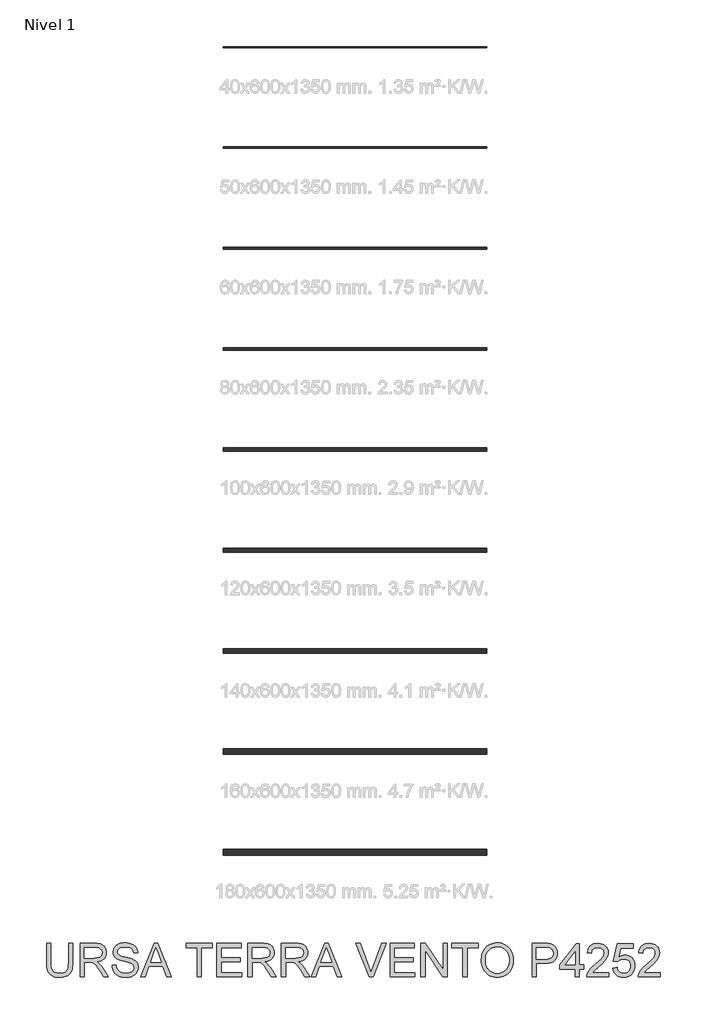
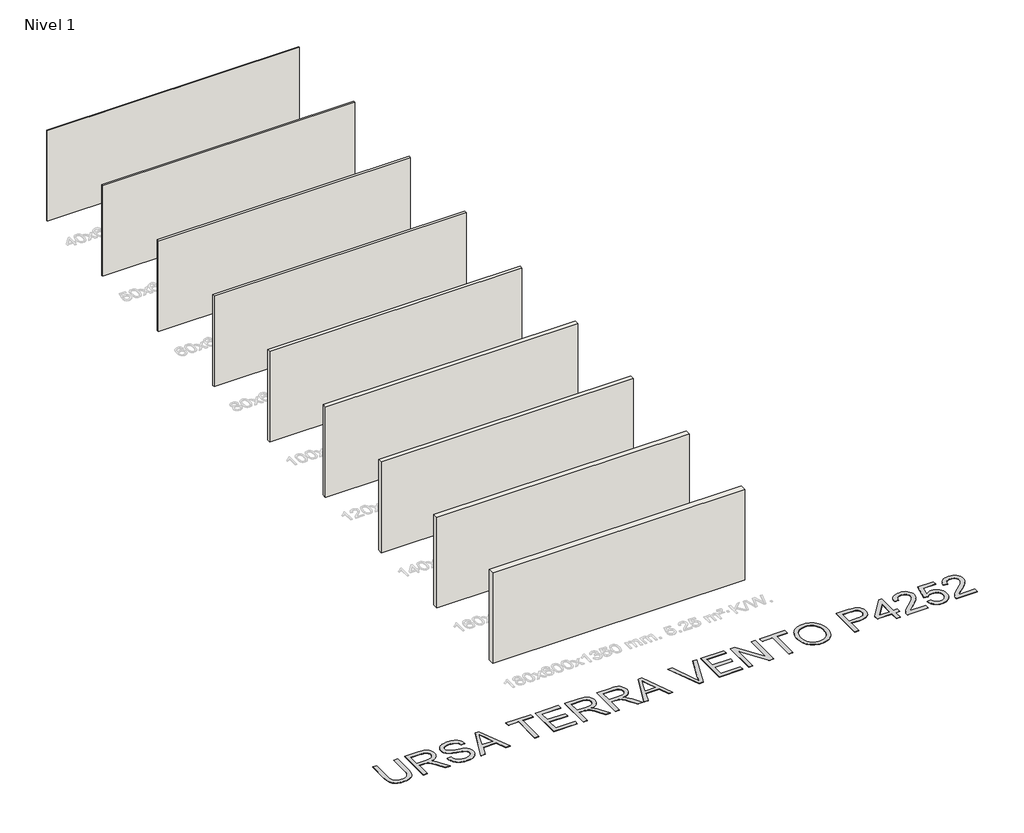
# One storey, part 1 of 10: 9 walls, 1 proxy.
"""IFC4 building model written with IfcOpenShell, lengths in millimetres."""

from ifc_helpers import new_model, si_unit, origin, origin_with_axes, place, context, project, spatial, polyline, outline, extrude, element, save

model = new_model("IFC4")

# Units and contexts
model_context = context("Model", 3, world=origin())
ifc_project = project(units=[si_unit("LENGTHUNIT", "METRE", prefix="MILLI")], contexts=[model_context])

# Site, building, storey
site = spatial("IfcSite", under=ifc_project)
building = spatial("IfcBuilding", under=site)
storey = spatial("IfcBuildingStorey", under=building, Name="Nivel 1", Elevation=0.0)

# Proxy
placement = place(None, origin())
element("IfcBuildingElementProxy", 1, Name="Texto de modelo 2", ObjectType="Texto de modelo 2", at=placement, inside=storey, context=model_context, shape_type="SweptSolid", body=[
    extrude(outline(polyline([(-11154.3090229, -22840.9129009), (-11028.7386352, -22840.9129009), (-11028.7386352, -23420.4496706), (-11030.8692851, -23492.2096523), (-11037.2612348, -23556.16747), (-11047.9144842, -23612.3231237), (-11062.8290334, -23660.6766135), (-11083.2924694, -23703.059685), (-11110.5923791, -23741.3040841), (-11144.7287626, -23775.4098107), (-11185.7016198, -23805.3768649), (-11233.556936, -23829.7873681), (-11288.3406965, -23847.2234419), (-11350.0529012, -23857.6850861), (-11418.6935501, -23861.1723009), (-11485.640409, -23858.1372744), (-11546.1953182, -23849.032195), (-11600.3582778, -23833.8570627), (-11648.1292877, -23812.6118775), (-11689.5160122, -23785.6108719), (-11724.5261154, -23753.1682784), (-11753.1595974, -23715.2840971), (-11775.4164581, -23671.958328), (-11792.1014394, -23621.7041146), (-11804.0192832, -23563.0346006), (-11811.1699895, -23495.9497859), (-11813.5535582, -23420.4496706), (-11813.5535582, -22840.9129009), (-11687.9831706, -22840.9129009), (-11687.9831706, -23416.0350867), (-11686.4350005, -23476.7432801), (-11681.7904903, -23528.8828887), (-11674.04964, -23572.4539125), (-11663.2124495, -23607.4563515), (-11648.6044687, -23636.4193944), (-11629.551247, -23661.87223), (-11606.0527845, -23683.8148581), (-11578.1090813, -23702.2472789), (-11546.2566319, -23716.8399314), (-11511.0319309, -23727.2632546), (-11472.4349782, -23733.5172485), (-11430.4657739, -23735.6019132), (-11361.2579736, -23731.4785691), (-11302.7494079, -23719.1085371), (-11254.940077, -23698.4918169), (-11235.0476245, -23685.0909488), (-11217.8299807, -23669.6284087), (-11202.9422562, -23651.2343089), (-11190.0395617, -23629.0387619), (-11170.1892623, -23573.243326), (-11158.2790828, -23502.2421009), (-11154.3090229, -23416.0350867), (-11154.3090229, -22840.9129009)])), origin_with_axes(), (0.0, 0.0, 1.0), 10.0),
    extrude(outline(polyline([(-10808.9904567, -23845.4760024), (-10808.9904567, -22840.9129009), (-10376.1159758, -22840.9129009), (-10313.9822396, -22842.6066909), (-10259.7732948, -22847.688061), (-10213.4891413, -22856.1570111), (-10175.1297791, -22868.0135412), (-10142.4649236, -22884.1696922), (-10113.2642902, -22905.5375047), (-10087.527879, -22932.1169789), (-10065.2556898, -22963.9081146), (-10047.2831215, -22999.2017935), (-10034.4455727, -23036.2888972), (-10026.7430435, -23075.1694255), (-10024.1755337, -23115.8433786), (-10028.4291693, -23167.4388285), (-10041.190076, -23214.8036353), (-10062.4582538, -23257.9377993), (-10092.2337028, -23296.8413203), (-10130.8996333, -23330.2725966), (-10178.8392558, -23356.9900265), (-10236.0525703, -23376.99361), (-10302.5395767, -23390.283347), (-10261.1528523, -23417.3226737), (-10231.1704697, -23443.9941183), (-10179.728304, -23505.0012159), (-10129.3897843, -23573.243326), (-9961.8808492, -23845.4760024), (-10107.8073739, -23845.4760024), (-10238.5281096, -23637.2547931), (-10290.8286665, -23557.7922822), (-10332.951155, -23499.4216723), (-10368.0532287, -23459.2305643), (-10399.2925415, -23434.3065591), (-10428.8763852, -23419.6832498), (-10459.012052, -23410.3942294), (-10531.852687, -23405.9796455), (-10683.4200691, -23405.9796455), (-10683.4200691, -23845.4760024), (-10808.9904567, -23845.4760024)]), holes=[polyline([(-10683.4200691, -23280.4092578), (-10402.3582247, -23280.4092578), (-10321.6387836, -23275.964017), (-10259.006874, -23262.6282947), (-10233.8222857, -23252.4042409), (-10211.8566649, -23239.5130427), (-10193.1100116, -23223.9547), (-10177.5823257, -23205.7292128), (-10165.4038988, -23185.7332935), (-10156.7050225, -23164.8636545), (-10151.4856967, -23143.1202957), (-10149.7459214, -23120.5032172), (-10153.0645236, -23088.3901847), (-10163.02033, -23059.250865), (-10179.6133409, -23033.0852581), (-10202.843556, -23009.893364), (-10233.2474701, -22990.901456), (-10271.3615776, -22977.3358074), (-10317.1858787, -22969.1964183), (-10370.7203732, -22966.4832886), (-10683.4200691, -22966.4832886), (-10683.4200691, -23280.4092578)])]), origin_with_axes(), (0.0, 0.0, 1.0), 10.0),
    extrude(outline(polyline([(-9851.5162506, -23500.1574363), (-9725.9458629, -23500.1574363), (-9720.1977068, -23536.7080453), (-9711.5371515, -23569.8404175), (-9699.964197, -23599.5545528), (-9685.4788435, -23625.8504513), (-9667.3453268, -23649.2569432), (-9644.827883, -23670.302859), (-9617.9265121, -23688.9881987), (-9586.6412141, -23705.3129622), (-9552.1216202, -23718.5643783), (-9515.5173617, -23728.0296754), (-9476.8284385, -23733.7088537), (-9436.0548507, -23735.6019132), (-9366.095958, -23729.8690854), (-9334.3814643, -23722.7030507), (-9304.8436058, -23712.6706021), (-9278.2104822, -23700.1319575), (-9255.2101933, -23685.4473345), (-9235.8427391, -23668.6167332), (-9220.1081196, -23649.6401536), (-9207.9296927, -23629.337666), (-9199.2308164, -23608.5293407), (-9194.0114905, -23587.2151776), (-9192.2717153, -23565.3951767), (-9197.4833769, -23523.3646588), (-9213.1183617, -23487.0363118), (-9226.270143, -23470.9184819), (-9244.8788406, -23456.0422537), (-9268.9444544, -23442.4076272), (-9298.4669846, -23430.0146025), (-9364.7777142, -23410.3022589), (-9481.3043362, -23382.0673158), (-9601.3258371, -23350.3374937), (-9645.1267871, -23335.0473983), (-9678.1212036, -23320.1405133), (-9711.6521146, -23300.1369298), (-9740.6304859, -23277.8953975), (-9765.0563176, -23253.4159164), (-9784.9296095, -23226.6984865), (-9800.3270038, -23198.0190193), (-9811.3251427, -23167.6534263), (-9817.9240259, -23135.6017075), (-9820.1236537, -23101.8638628), (-9817.4028598, -23064.4701908), (-9809.240478, -23028.3181206), (-9795.6365084, -22993.4076521), (-9776.5909509, -22959.7387853), (-9752.3184035, -22928.6834136), (-9723.0334638, -22901.6134301), (-9688.736132, -22878.5288349), (-9649.426408, -22859.429628), (-9606.4301998, -22844.4614293), (-9561.0734154, -22833.7698588), (-9513.356055, -22827.3549165), (-9463.2781184, -22825.2166024), (-9408.6476421, -22827.4545512), (-9357.3281038, -22834.1683977), (-9309.3195034, -22845.3581417), (-9264.621841, -22861.0237833), (-9224.062851, -22881.0273668), (-9188.470268, -22905.2309364), (-9157.8440919, -22933.6344921), (-9132.1843227, -22966.2380339), (-9111.6902299, -23002.0912), (-9096.5610829, -23040.2436286), (-9086.7968816, -23080.6953197), (-9082.3976261, -23123.4462732), (-9207.9680137, -23123.4462732), (-9216.367986, -23083.3777926), (-9231.0219521, -23048.5209735), (-9251.9299122, -23018.8758161), (-9279.0918661, -22994.4423202), (-9313.0136518, -22975.3431133), (-9354.2011068, -22961.7008227), (-9402.6542313, -22953.5154483), (-9458.3730251, -22950.7869901), (-9515.8699153, -22953.4847914), (-9564.9974901, -22961.5781953), (-9605.7557494, -22975.0672018), (-9638.1446934, -22993.9518109), (-9662.8234439, -23016.6531957), (-9680.4511229, -23041.5925293), (-9691.0277302, -23068.7698117), (-9694.553266, -23098.1850429), (-9692.0547341, -23123.4922584), (-9684.5591385, -23146.4388979), (-9672.0664791, -23167.0249612), (-9654.5767559, -23185.2504484), (-9627.0469199, -23202.5102453), (-9583.6981581, -23219.9539833), (-9524.5304706, -23237.5816622), (-9449.5438572, -23255.3932821), (-9311.0975997, -23289.0544847), (-9262.3838922, -23304.2756022), (-9227.3431322, -23318.4237306), (-9188.8458142, -23339.8681853), (-9155.7594273, -23363.9797844), (-9128.0839713, -23390.7585279), (-9105.8194464, -23420.204416), (-9088.7052694, -23452.1641643), (-9076.4808573, -23486.4844888), (-9069.14621, -23523.1653894), (-9066.7013276, -23562.2068661), (-9069.514092, -23601.4859333), (-9077.9523853, -23639.6153693), (-9092.0162074, -23676.595174), (-9111.7055583, -23712.4253475), (-9136.6755488, -23745.718668), (-9166.5812893, -23775.087914), (-9201.4227799, -23800.5330853), (-9241.2000206, -23822.054182), (-9284.755716, -23839.168359), (-9330.9325706, -23851.3927712), (-9379.7305844, -23858.7274184), (-9431.1497575, -23861.1723009), (-9495.3834867, -23858.5358132), (-9554.175628, -23850.6263503), (-9607.5261815, -23837.4439122), (-9655.4351472, -23818.9884987), (-9698.1937649, -23795.2294532), (-9736.0932746, -23766.1361188), (-9769.1336763, -23731.7084954), (-9797.31497, -23691.9465831), (-9820.0163548, -23648.1379688), (-9836.6170298, -23601.5702396), (-9847.1169951, -23552.2433954), (-9851.5162506, -23500.1574363)])), origin_with_axes(), (0.0, 0.0, 1.0), 10.0),
    extrude(outline(polyline([(-8995.3322205, -23845.4760024), (-8594.3408458, -22840.9129009), (-8487.4098125, -22840.9129009), (-8086.4184378, -23845.4760024), (-8219.1012107, -23845.4760024), (-8334.1256479, -23531.5500332), (-8747.8702651, -23531.5500332), (-8862.6494476, -23845.4760024), (-8995.3322205, -23845.4760024)]), holes=[polyline([(-8701.7623884, -23405.9796455), (-8379.9882699, -23405.9796455), (-8470.4872407, -23159.0081994), (-8540.8753292, -22966.4832886), (-8603.4152683, -23137.425789), (-8701.7623884, -23405.9796455)])]), origin_with_axes(), (0.0, 0.0, 1.0), 10.0),
    extrude(outline(polyline([(-7308.7159, -23845.4760024), (-7308.7159, -22966.4832886), (-7638.3381677, -22966.4832886), (-7638.3381677, -22840.9129009), (-6853.5232446, -22840.9129009), (-6853.5232446, -22966.4832886), (-7183.1455123, -22966.4832886), (-7183.1455123, -23845.4760024), (-7308.7159, -23845.4760024)])), origin_with_axes(), (0.0, 0.0, 1.0), 10.0),
    extrude(outline(polyline([(-6712.2565585, -23845.4760024), (-6712.2565585, -22840.9129009), (-5990.2268293, -22840.9129009), (-5990.2268293, -22966.4832886), (-6586.6861708, -22966.4832886), (-6586.6861708, -23264.7129593), (-6021.6194262, -23264.7129593), (-6021.6194262, -23390.283347), (-6586.6861708, -23390.283347), (-6586.6861708, -23719.9056147), (-5974.5305308, -23719.9056147), (-5974.5305308, -23845.4760024), (-6712.2565585, -23845.4760024)])), origin_with_axes(), (0.0, 0.0, 1.0), 10.0),
    extrude(outline(polyline([(-5786.1749493, -23845.4760024), (-5786.1749493, -22840.9129009), (-5353.3004683, -22840.9129009), (-5291.1667321, -22842.6066909), (-5236.9577873, -22847.688061), (-5190.6736338, -22856.1570111), (-5152.3142716, -22868.0135412), (-5119.6494161, -22884.1696922), (-5090.4487827, -22905.5375047), (-5064.7123715, -22932.1169789), (-5042.4401824, -22963.9081146), (-5024.467614, -22999.2017935), (-5011.6300653, -23036.2888972), (-5003.927536, -23075.1694255), (-5001.3600262, -23115.8433786), (-5005.6136618, -23167.4388285), (-5018.3745685, -23214.8036353), (-5039.6427463, -23257.9377993), (-5069.4181953, -23296.8413203), (-5108.0841259, -23330.2725966), (-5156.0237484, -23356.9900265), (-5213.2370628, -23376.99361), (-5279.7240692, -23390.283347), (-5238.3373448, -23417.3226737), (-5208.3549622, -23443.9941183), (-5156.9127965, -23505.0012159), (-5106.5742768, -23573.243326), (-4939.0653417, -23845.4760024), (-5084.9918665, -23845.4760024), (-5215.7126021, -23637.2547931), (-5268.0131591, -23557.7922822), (-5310.1356475, -23499.4216723), (-5345.2377212, -23459.2305643), (-5376.477034, -23434.3065591), (-5406.0608778, -23419.6832498), (-5436.1965445, -23410.3942294), (-5509.0371796, -23405.9796455), (-5660.6045616, -23405.9796455), (-5660.6045616, -23845.4760024), (-5786.1749493, -23845.4760024)]), holes=[polyline([(-5660.6045616, -23280.4092578), (-5379.5427173, -23280.4092578), (-5298.8232762, -23275.964017), (-5236.1913665, -23262.6282947), (-5211.0067782, -23252.4042409), (-5189.0411574, -23239.5130427), (-5170.2945041, -23223.9547), (-5154.7668182, -23205.7292128), (-5142.5883913, -23185.7332935), (-5133.889515, -23164.8636545), (-5128.6701892, -23143.1202957), (-5126.9304139, -23120.5032172), (-5130.2490161, -23088.3901847), (-5140.2048226, -23059.250865), (-5156.7978334, -23033.0852581), (-5180.0280485, -23009.893364), (-5210.4319626, -22990.901456), (-5248.5460701, -22977.3358074), (-5294.3703712, -22969.1964183), (-5347.9048657, -22966.4832886), (-5660.6045616, -22966.4832886), (-5660.6045616, -23280.4092578)])]), origin_with_axes(), (0.0, 0.0, 1.0), 10.0),
    extrude(outline(polyline([(-4781.6118478, -23845.4760024), (-4781.6118478, -22840.9129009), (-4348.7373668, -22840.9129009), (-4286.6036306, -22842.6066909), (-4232.3946858, -22847.688061), (-4186.1105323, -22856.1570111), (-4147.7511701, -22868.0135412), (-4115.0863146, -22884.1696922), (-4085.8856812, -22905.5375047), (-4060.14927, -22932.1169789), (-4037.8770809, -22963.9081146), (-4019.9045125, -22999.2017935), (-4007.0669638, -23036.2888972), (-3999.3644345, -23075.1694255), (-3996.7969247, -23115.8433786), (-4001.0505603, -23167.4388285), (-4013.811467, -23214.8036353), (-4035.0796449, -23257.9377993), (-4064.8550938, -23296.8413203), (-4103.5210244, -23330.2725966), (-4151.4606469, -23356.9900265), (-4208.6739613, -23376.99361), (-4275.1609677, -23390.283347), (-4233.7742433, -23417.3226737), (-4203.7918607, -23443.9941183), (-4152.349695, -23505.0012159), (-4102.0111753, -23573.243326), (-3934.5022402, -23845.4760024), (-4080.428765, -23845.4760024), (-4211.1495006, -23637.2547931), (-4263.4500576, -23557.7922822), (-4305.572546, -23499.4216723), (-4340.6746197, -23459.2305643), (-4371.9139325, -23434.3065591), (-4401.4977763, -23419.6832498), (-4431.633443, -23410.3942294), (-4504.4740781, -23405.9796455), (-4656.0414601, -23405.9796455), (-4656.0414601, -23845.4760024), (-4781.6118478, -23845.4760024)]), holes=[polyline([(-4656.0414601, -23280.4092578), (-4374.9796158, -23280.4092578), (-4294.2601747, -23275.964017), (-4231.628265, -23262.6282947), (-4206.4436767, -23252.4042409), (-4184.4780559, -23239.5130427), (-4165.7314026, -23223.9547), (-4150.2037167, -23205.7292128), (-4138.0252898, -23185.7332935), (-4129.3264135, -23164.8636545), (-4124.1070877, -23143.1202957), (-4122.3673124, -23120.5032172), (-4125.6859146, -23088.3901847), (-4135.6417211, -23059.250865), (-4152.2347319, -23033.0852581), (-4175.4649471, -23009.893364), (-4205.8688611, -22990.901456), (-4243.9829687, -22977.3358074), (-4289.8072697, -22969.1964183), (-4343.3417642, -22966.4832886), (-4656.0414601, -22966.4832886), (-4656.0414601, -23280.4092578)])]), origin_with_axes(), (0.0, 0.0, 1.0), 10.0),
    extrude(outline(polyline([(-3894.0352207, -23845.4760024), (-3493.043846, -22840.9129009), (-3386.1128127, -22840.9129009), (-2985.121438, -23845.4760024), (-3117.8042109, -23845.4760024), (-3232.8286481, -23531.5500332), (-3646.5732653, -23531.5500332), (-3761.3524478, -23845.4760024), (-3894.0352207, -23845.4760024)]), holes=[polyline([(-3600.4653886, -23405.9796455), (-3278.6912701, -23405.9796455), (-3369.190241, -23159.0081994), (-3439.5783294, -22966.4832886), (-3502.1182685, -23137.425789), (-3600.4653886, -23405.9796455)])]), origin_with_axes(), (0.0, 0.0, 1.0), 10.0),
    extrude(outline(polyline([(-2161.8015328, -23845.4760024), (-2561.5666342, -22840.9129009), (-2427.1670786, -22840.9129009), (-2159.5942408, -23564.6594127), (-2129.8571129, -23648.9657033), (-2105.3929602, -23727.7537639), (-2080.4996119, -23646.1452747), (-2051.9274436, -23564.6594127), (-1783.6188417, -22840.9129009), (-1649.2192862, -22840.9129009), (-2032.0618158, -23845.4760024), (-2161.8015328, -23845.4760024)])), origin_with_axes(), (0.0, 0.0, 1.0), 10.0),
    extrude(outline(polyline([(-1532.4780664, -23845.4760024), (-1532.4780664, -22840.9129009), (-810.4483372, -22840.9129009), (-810.4483372, -22966.4832886), (-1406.9076787, -22966.4832886), (-1406.9076787, -23264.7129593), (-841.8409341, -23264.7129593), (-841.8409341, -23390.283347), (-1406.9076787, -23390.283347), (-1406.9076787, -23719.9056147), (-794.7520387, -23719.9056147), (-794.7520387, -23845.4760024), (-1532.4780664, -23845.4760024)])), origin_with_axes(), (0.0, 0.0, 1.0), 10.0),
    extrude(outline(polyline([(-606.3964572, -23845.4760024), (-606.3964572, -22840.9129009), (-471.9969016, -22840.9129009), (52.8480782, -23636.7642838), (52.8480782, -22840.9129009), (178.4184659, -22840.9129009), (178.4184659, -23845.4760024), (44.0189103, -23845.4760024), (-480.8260695, -23049.3793648), (-480.8260695, -23845.4760024), (-606.3964572, -23845.4760024)])), origin_with_axes(), (0.0, 0.0, 1.0), 10.0),
    extrude(outline(polyline([(649.3074197, -23845.4760024), (649.3074197, -22966.4832886), (319.685152, -22966.4832886), (319.685152, -22840.9129009), (1104.5000751, -22840.9129009), (1104.5000751, -22966.4832886), (774.8778074, -22966.4832886), (774.8778074, -23845.4760024), (649.3074197, -23845.4760024)])), origin_with_axes(), (0.0, 0.0, 1.0), 10.0),
    extrude(outline(polyline([(1198.6778658, -23356.4382035), (1200.7701947, -23295.8334769), (1207.0471812, -23238.6086661), (1217.5088255, -23184.7637712), (1232.1551274, -23134.2987921), (1250.986087, -23087.2137288), (1274.0017043, -23043.5085813), (1301.2019794, -23003.1833497), (1332.5869121, -22966.2380339), (1367.2789506, -22933.1861359), (1404.4005432, -22904.5411577), (1443.9516898, -22880.3030991), (1485.9323904, -22860.4719603), (1530.342645, -22845.0477412), (1577.1824536, -22834.0304419), (1626.4518162, -22827.4200623), (1678.1507329, -22825.2166024), (1745.7337211, -22829.3552749), (1809.9138008, -22841.7712922), (1870.6909721, -22862.4646545), (1928.0652349, -22891.4353616), (1980.4271056, -22927.8096938), (2026.1671003, -22970.7139315), (2065.2852191, -23020.1480746), (2097.781462, -23076.1121232), (2123.3186039, -23137.3338185), (2141.5594195, -23202.5409022), (2152.5039088, -23271.7333741), (2156.1520719, -23344.9112343), (2152.3123036, -23419.0547847), (2140.7929986, -23489.1822901), (2121.594157, -23555.2937503), (2094.7157787, -23617.3891654), (2060.7939931, -23673.8283948), (2020.4649294, -23722.971298), (1973.7285876, -23764.817875), (1920.5849677, -23799.3681257), (1863.1263986, -23826.4074523), (1803.4452091, -23845.7212571), (1741.5413992, -23857.3095399), (1677.4149689, -23861.1723009), (1608.6516926, -23856.9033369), (1543.62855, -23844.0964449), (1482.3455409, -23822.751625), (1424.8026655, -23792.8688771), (1372.5021085, -23755.6054967), (1326.9460548, -23712.1187791), (1288.1345043, -23662.4087246), (1256.0674571, -23606.4753329), (1230.9595109, -23546.5642171), (1213.0252636, -23484.9209903), (1202.2647153, -23421.5456524), (1198.6778658, -23356.4382035)]), holes=[polyline([(1324.2482535, -23357.6644768), (1325.8175001, -23400.4575835), (1330.5252401, -23440.9131066), (1338.3714732, -23479.0310463), (1349.3561997, -23514.8114024), (1363.4794194, -23548.254175), (1380.7411324, -23579.3593641), (1401.1413387, -23608.1269697), (1424.6800382, -23634.5569918), (1450.5869781, -23658.2393953), (1478.0919054, -23678.7641449), (1507.1948201, -23696.1312408), (1537.8957222, -23710.3406828), (1570.1946118, -23721.3924711), (1604.0914887, -23729.2866056), (1639.5863531, -23734.0230863), (1676.6792049, -23735.6019132), (1714.4503391, -23734.0077579), (1750.5085228, -23729.2252919), (1784.8537559, -23721.2545154), (1817.4860385, -23710.0954282), (1848.4053706, -23695.7480304), (1877.6117521, -23678.2123219), (1905.1051831, -23657.4883029), (1930.8856636, -23633.5759732), (1954.2519184, -23606.7320838), (1974.5026726, -23577.2133858), (1991.6379262, -23545.0198792), (2005.6576791, -23510.1515638), (2016.5619313, -23472.6084398), (2024.350683, -23432.3905071), (2029.0239339, -23389.4977657), (2030.5816842, -23343.9302156), (2027.9145398, -23286.4639823), (2019.9131064, -23232.7685394), (2006.5773841, -23182.843887), (1987.9073728, -23136.690025), (1964.1100062, -23094.9124259), (1935.392218, -23058.1165622), (1901.7540081, -23026.3024338), (1863.1953764, -22999.4700408), (1820.9119396, -22978.1712061), (1776.0993141, -22962.9577528), (1728.7574998, -22953.8296808), (1678.8864969, -22950.7869901), (1608.8203052, -22956.6501094), (1543.812491, -22974.2394673), (1513.2054754, -22987.4314857), (1483.8630542, -23003.5550638), (1428.9719948, -23044.5968989), (1404.4273679, -23070.0094973), (1383.155358, -23099.3423383), (1365.155965, -23132.5954218), (1350.4291888, -23169.7687478), (1338.9750296, -23210.8623163), (1330.7934873, -23255.8761273), (1325.884562, -23304.8101808), (1324.2482535, -23357.6644768)])]), origin_with_axes(), (0.0, 0.0, 1.0), 10.0),
    extrude(outline(polyline([(2721.2188165, -23845.4760024), (2721.2188165, -22840.9129009), (3093.5153956, -22840.9129009), (3180.2129192, -22843.3041339), (3243.6112497, -22850.4778328), (3278.552375, -22858.0117495), (3310.535116, -22868.3507664), (3339.5594725, -22881.4948835), (3365.6254447, -22897.4441008), (3389.0089441, -22916.5279793), (3409.985882, -22939.07608), (3428.5562585, -22965.0884027), (3444.7200737, -22994.5649476), (3457.8105414, -23026.5323601), (3467.1608754, -23060.0172859), (3472.7710758, -23095.0197249), (3474.6411427, -23131.5396771), (3469.5904294, -23193.2058965), (3454.4382897, -23249.9363659), (3429.1847236, -23301.7310851), (3393.829731, -23348.5900542), (3371.5939469, -23369.3983796), (3345.2923003, -23387.4322616), (3314.9247912, -23402.6917002), (3280.4914197, -23415.1766954), (3241.9921857, -23424.8872472), (3199.4270892, -23431.8233557), (3102.0993089, -23437.3722424), (2846.7892042, -23437.3722424), (2846.7892042, -23845.4760024), (2721.2188165, -23845.4760024)]), holes=[polyline([(2846.7892042, -23311.8018547), (3109.4569488, -23311.8018547), (3169.8509096, -23308.9201124), (3220.802566, -23300.2748855), (3262.3119178, -23285.8661741), (3294.378965, -23265.693978), (3318.3066231, -23240.2947919), (3335.3978075, -23210.2051104), (3345.6525181, -23175.4249334), (3349.070755, -23135.954261), (3347.0550682, -23106.6463288), (3341.0080079, -23079.5456884), (3330.9295741, -23054.6523401), (3316.8197667, -23031.9662837), (3299.4296782, -23012.2232833), (3279.510401, -22996.1591029), (3257.0619351, -22983.7737424), (3232.0842805, -22975.0672018), (3183.6464845, -22968.6292669), (3106.5138928, -22966.4832886), (2846.7892042, -22966.4832886), (2846.7892042, -23311.8018547)])]), origin_with_axes(), (0.0, 0.0, 1.0), 10.0),
    extrude(outline(polyline([(4008.3152903, -23845.4760024), (4008.3152903, -23610.0315255), (3553.122635, -23610.0315255), (3553.122635, -23484.4611378), (4039.7078872, -22856.6091994), (4133.885678, -22856.6091994), (4133.885678, -23484.4611378), (4259.4560657, -23484.4611378), (4259.4560657, -23610.0315255), (4133.885678, -23610.0315255), (4133.885678, -23845.4760024), (4008.3152903, -23845.4760024)]), holes=[polyline([(4008.3152903, -23484.4611378), (4008.3152903, -23096.4682602), (3707.6330729, -23484.4611378), (4008.3152903, -23484.4611378)])]), origin_with_axes(), (0.0, 0.0, 1.0), 10.0),
    extrude(outline(polyline([(5012.8783918, -23719.9056147), (5012.8783918, -23845.4760024), (4353.6338565, -23845.4760024), (4356.3929714, -23801.2688493), (4367.1228629, -23758.9011062), (4380.8111389, -23724.8183722), (4398.0862642, -23691.2414759), (4418.948239, -23658.1704174), (4443.3970633, -23625.6051966), (4472.904265, -23592.273555), (4508.9413721, -23556.903234), (4600.6053026, -23480.0465539), (4736.1085041, -23359.6878278), (4783.5346247, -23311.3266738), (4817.410425, -23270.8443259), (4841.1234853, -23234.5466357), (4858.0613855, -23198.7394549), (4868.2241256, -23163.4227833), (4871.6117057, -23128.5966211), (4868.4157308, -23095.8321309), (4858.8278063, -23065.7194568), (4842.8479322, -23038.2585987), (4820.4761083, -23013.4495566), (4792.9539366, -22992.9018144), (4761.5230186, -22978.2248556), (4726.1833544, -22969.4186803), (4686.9349441, -22966.4832886), (4645.5865407, -22969.3497025), (4608.6067359, -22977.9489441), (4575.9955299, -22992.2810135), (4547.7529226, -23012.3459107), (4524.9059178, -23037.4691852), (4508.4815196, -23066.9763869), (4498.4797279, -23100.8675157), (4494.9005426, -23139.1425717), (4369.3301549, -23123.4462732), (4380.1290243, -23058.6224), (4399.77239, -23001.9839011), (4428.260252, -22953.5307767), (4465.5926103, -22913.2630266), (4510.9110736, -22881.6098466), (4563.3572505, -22859.0004323), (4622.9311411, -22845.4347838), (4689.6327454, -22840.9129009), (4756.9321579, -22845.9406215), (4816.8279452, -22861.0237833), (4869.3201074, -22886.1623863), (4914.4086444, -22921.3564305), (4950.6220283, -22964.0000851), (4976.4887311, -23011.4875193), (4992.0087528, -23063.8187331), (4997.1820934, -23120.9937266), (4991.6025498, -23181.0504623), (4974.863919, -23240.0648657), (4945.1574479, -23300.0909446), (4900.6743833, -23363.1827067), (4869.9792293, -23398.1698173), (4829.7651287, -23438.5065452), (4720.7800876, -23535.2288531), (4576.3250909, -23656.0167749), (4544.9938076, -23687.8692243), (4519.6712636, -23719.9056147), (5012.8783918, -23719.9056147)])), origin_with_axes(), (0.0, 0.0, 1.0), 10.0),
    extrude(outline(polyline([(5138.4487795, -23578.6389286), (5264.0191672, -23562.9426301), (5273.4001581, -23603.3100149), (5287.0731056, -23638.3277823), (5305.0380097, -23667.9959324), (5327.2948704, -23692.3144651), (5353.7977024, -23711.2527236), (5384.5005206, -23724.7800511), (5419.4033249, -23732.8964477), (5458.5061153, -23735.6019132), (5506.3307747, -23731.8387869), (5548.5145768, -23720.5494082), (5585.0575216, -23701.733777), (5615.9596092, -23675.3918933), (5640.5310608, -23642.8266725), (5658.0820977, -23605.34103), (5668.6127198, -23562.9349659), (5672.1229272, -23515.6084801), (5668.8349818, -23470.8801608), (5658.9711458, -23431.1182485), (5642.5314192, -23396.3227431), (5619.5158019, -23366.4936447), (5589.8476518, -23342.5659866), (5553.4503269, -23325.4748022), (5510.3238272, -23315.2200916), (5460.4681526, -23311.8018547), (5399.5530256, -23317.258771), (5373.4410681, -23324.0799163), (5350.2261814, -23333.6295198), (5310.8321511, -23358.7068091), (5279.7154657, -23390.283347), (5154.145078, -23374.5870486), (5264.0191672, -22856.6091994), (5750.6044195, -22856.6091994), (5750.6044195, -22982.1795871), (5365.5545979, -22982.1795871), (5311.8438266, -23258.8268474), (5356.1582786, -23227.0663685), (5401.5457197, -23204.3803121), (5448.00615, -23190.7686783), (5495.5395695, -23186.231467), (5556.692287, -23191.8569959), (5612.8632691, -23208.7335824), (5664.0525159, -23236.8612266), (5710.2600273, -23276.2399285), (5748.5120906, -23324.4631267), (5775.834993, -23379.1242598), (5792.2287344, -23440.2233279), (5797.6933149, -23507.7603308), (5792.7728932, -23572.8141303), (5778.0116281, -23633.3307185), (5753.4095197, -23689.3100954), (5718.9665679, -23740.7522611), (5693.9659206, -23768.9757079), (5666.7886382, -23793.4360285), (5637.4347207, -23814.1332228), (5605.904168, -23831.0672909), (5572.1969802, -23844.2382328), (5536.3131573, -23853.6460484), (5498.2526992, -23859.2907377), (5458.015606, -23861.1723009), (5393.2147254, -23856.3361855), (5334.6831671, -23841.8278393), (5282.4209312, -23817.6472623), (5236.4280176, -23783.7944545), (5198.1606258, -23741.9555418), (5169.0749556, -23693.8166499), (5149.1710068, -23639.3777788), (5138.4487795, -23578.6389286)])), origin_with_axes(), (0.0, 0.0, 1.0), 10.0),
    extrude(outline(polyline([(6551.115641, -23719.9056147), (6551.115641, -23845.4760024), (5891.8711056, -23845.4760024), (5894.6302206, -23801.2688493), (5905.3601121, -23758.9011062), (5919.048388, -23724.8183722), (5936.3235134, -23691.2414759), (5957.1854882, -23658.1704174), (5981.6343124, -23625.6051966), (6011.1415141, -23592.273555), (6047.1786213, -23556.903234), (6138.8425517, -23480.0465539), (6274.3457533, -23359.6878278), (6321.7718738, -23311.3266738), (6355.6476742, -23270.8443259), (6379.3607345, -23234.5466357), (6396.2986347, -23198.7394549), (6406.4613748, -23163.4227833), (6409.8489548, -23128.5966211), (6406.65298, -23095.8321309), (6397.0650555, -23065.7194568), (6381.0851813, -23038.2585987), (6358.7133575, -23013.4495566), (6331.1911857, -22992.9018144), (6299.7602678, -22978.2248556), (6264.4206036, -22969.4186803), (6225.1721933, -22966.4832886), (6183.8237898, -22969.3497025), (6146.8439851, -22977.9489441), (6114.2327791, -22992.2810135), (6085.9901717, -23012.3459107), (6063.143167, -23037.4691852), (6046.7187688, -23066.9763869), (6036.716977, -23100.8675157), (6033.1377918, -23139.1425717), (5907.5674041, -23123.4462732), (5918.3662735, -23058.6224), (5938.0096392, -23001.9839011), (5966.4975012, -22953.5307767), (6003.8298595, -22913.2630266), (6049.1483228, -22881.6098466), (6101.5944997, -22859.0004323), (6161.1683903, -22845.4347838), (6227.8699946, -22840.9129009), (6295.169407, -22845.9406215), (6355.0651944, -22861.0237833), (6407.5573566, -22886.1623863), (6452.6458936, -22921.3564305), (6488.8592775, -22964.0000851), (6514.7259803, -23011.4875193), (6530.246002, -23063.8187331), (6535.4193425, -23120.9937266), (6529.8397989, -23181.0504623), (6513.1011681, -23240.0648657), (6483.394697, -23300.0909446), (6438.9116325, -23363.1827067), (6408.2164785, -23398.1698173), (6368.0023779, -23438.5065452), (6259.0173368, -23535.2288531), (6114.56234, -23656.0167749), (6083.2310568, -23687.8692243), (6057.9085128, -23719.9056147), (6551.115641, -23719.9056147)])), origin_with_axes(), (0.0, 0.0, 1.0), 10.0),
])

# Walls
element("IfcWall", 2, at=placement, inside=storey, context=model_context, shape_type="SweptSolid", body=[
    extrude(outline(polyline([(1368.7582768, 3960.3831431), (-6531.2417232, 3960.3831431), (-6531.2417232, 4000.3831431), (1368.7582768, 4000.3831431), (1368.7582768, 3960.3831431)])), origin_with_axes(), (0.0, 0.0, 1.0), 3000.0),
])
element("IfcWall", 3, at=placement, inside=storey, context=model_context, shape_type="SweptSolid", body=[
    extrude(outline(polyline([(1368.7582768, 950.3831431), (-6531.2417232, 950.3831431), (-6531.2417232, 1000.3831431), (1368.7582768, 1000.3831431), (1368.7582768, 950.3831431)])), origin_with_axes(), (0.0, 0.0, 1.0), 3000.0),
])
element("IfcWall", 4, at=placement, inside=storey, context=model_context, shape_type="SweptSolid", body=[
    extrude(outline(polyline([(1368.7582768, -2063.6168569), (-6531.2417232, -2063.6168569), (-6531.2417232, -2003.6168569), (1368.7582768, -2003.6168569), (1368.7582768, -2063.6168569)])), origin_with_axes(), (0.0, 0.0, 1.0), 3000.0),
])
element("IfcWall", 5, at=placement, inside=storey, context=model_context, shape_type="SweptSolid", body=[
    extrude(outline(polyline([(1368.7582768, -5087.6168569), (-6531.2417232, -5087.6168569), (-6531.2417232, -5007.6168569), (1368.7582768, -5007.6168569), (1368.7582768, -5087.6168569)])), origin_with_axes(), (0.0, 0.0, 1.0), 3000.0),
])
element("IfcWall", 6, at=placement, inside=storey, context=model_context, shape_type="SweptSolid", body=[
    extrude(outline(polyline([(1368.7582768, -8111.6168569), (-6531.2417232, -8111.6168569), (-6531.2417232, -8011.6168569), (1368.7582768, -8011.6168569), (1368.7582768, -8111.6168569)])), origin_with_axes(), (0.0, 0.0, 1.0), 3000.0),
])
element("IfcWall", 7, at=placement, inside=storey, context=model_context, shape_type="SweptSolid", body=[
    extrude(outline(polyline([(1368.7582768, -11135.6168569), (-6531.2417232, -11135.6168569), (-6531.2417232, -11015.6168569), (1368.7582768, -11015.6168569), (1368.7582768, -11135.6168569)])), origin_with_axes(), (0.0, 0.0, 1.0), 3000.0),
])
element("IfcWall", 8, at=placement, inside=storey, context=model_context, shape_type="SweptSolid", body=[
    extrude(outline(polyline([(1368.7582768, -14159.6168569), (-6531.2417232, -14159.6168569), (-6531.2417232, -14019.6168569), (1368.7582768, -14019.6168569), (1368.7582768, -14159.6168569)])), origin_with_axes(), (0.0, 0.0, 1.0), 3000.0),
])
element("IfcWall", 9, at=placement, inside=storey, context=model_context, shape_type="SweptSolid", body=[
    extrude(outline(polyline([(1368.7582768, -17183.6168569), (-6531.2417232, -17183.6168569), (-6531.2417232, -17023.6168569), (1368.7582768, -17023.6168569), (1368.7582768, -17183.6168569)])), origin_with_axes(), (0.0, 0.0, 1.0), 3000.0),
])
element("IfcWall", 10, at=placement, inside=storey, context=model_context, shape_type="SweptSolid", body=[
    extrude(outline(polyline([(1368.7582768, -20207.6168569), (-6531.2417232, -20207.6168569), (-6531.2417232, -20027.6168569), (1368.7582768, -20027.6168569), (1368.7582768, -20207.6168569)])), origin_with_axes(), (0.0, 0.0, 1.0), 3000.0),
])

save(model, "model.ifc")
